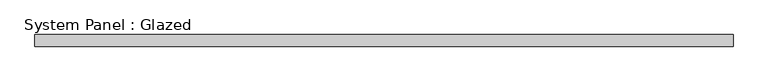
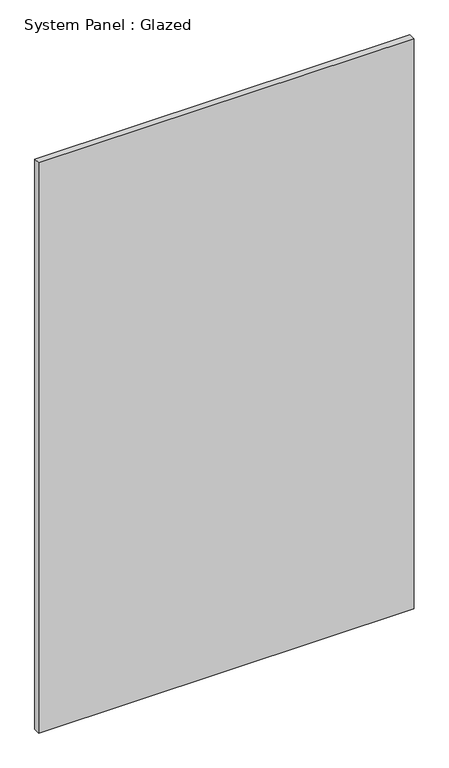
"""IFC4 building model written with IfcOpenShell, lengths in millimetres: plate geometry, System Panel : Glazed."""

from ifc_helpers import new_model, si_unit, origin, origin_with_axes, place, context, project, spatial, polyline, outline, extrude, source, transform, mapped, element, save


def system_panel_glazed_5513e33f(model_context):
    return source(origin(), model_context, "Body", "SweptSolid", [
        extrude(outline(polyline([(724.1690596, 24.5), (-724.1690596, 24.5), (-724.1690596, 49.5), (724.1690596, 49.5), (724.1690596, 24.5)])), origin_with_axes(), (0.0, 0.0, 1.0), 2325.0),
    ])


if __name__ == "__main__":
    model = new_model("IFC4")
    model_context = context("Model", 3, world=origin())
    ifc_project = project(units=[si_unit("LENGTHUNIT", "METRE", prefix="MILLI")], contexts=[model_context])
    site = spatial("IfcSite", under=ifc_project)
    building = spatial("IfcBuilding", under=site)
    placement = place(None, origin())
    system_panel_glazed_shape = system_panel_glazed_5513e33f(model_context)
    element("IfcPlate", 1, ObjectType="System Panel : Glazed", at=placement, inside=building, context=model_context, shape_type="MappedRepresentation", body=[
        mapped(system_panel_glazed_shape, transform((0.0, 0.0, 0.0), x_axis=(1.0, 0.0, 0.0), y_axis=(0.0, 1.0, 0.0), z_axis=(0.0, 0.0, 1.0))),
    ])
    save(model, "model.ifc")
